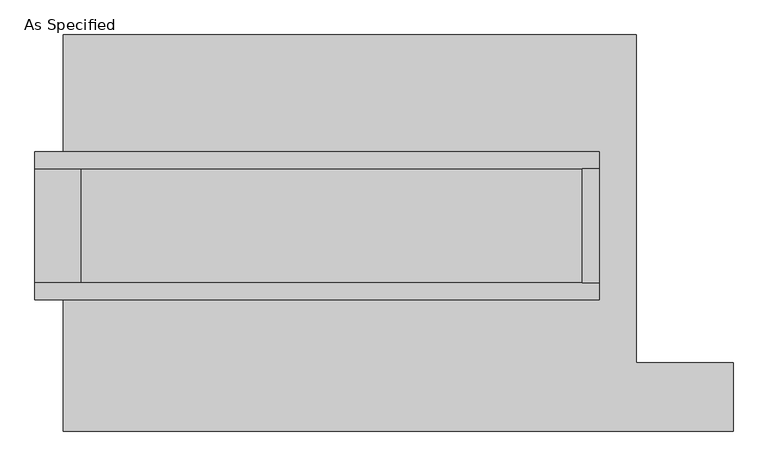
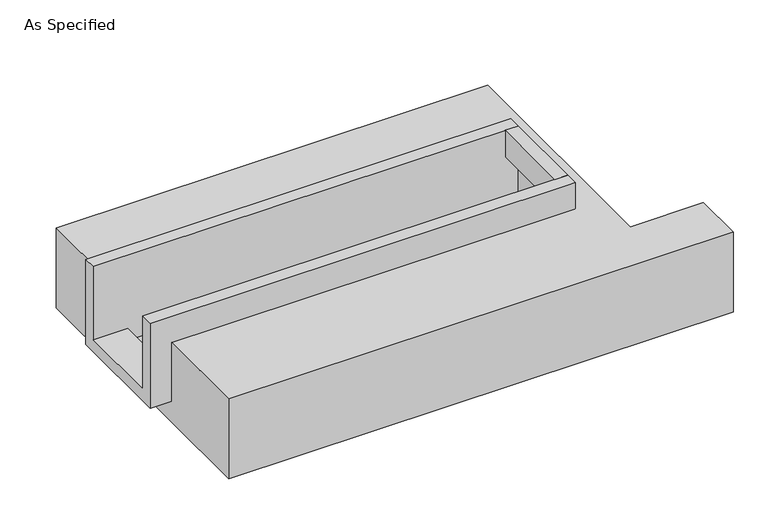
"""IFC4 building model written with IfcOpenShell, lengths in millimetres: proxy geometry, As Specified."""

from ifc_helpers import new_model, si_unit, frame, origin, place, context, project, spatial, polyline, outline, extrude, faceted_brep, source, transform, mapped, element, save


def as_specified_d499f343(model_context):
    return source(origin(), model_context, "Body", "SolidModel", [
        extrude(outline(polyline([(1035.05, 285.75), (1111.25, 285.75), (1111.25, -222.25), (1035.05, -222.25), (1035.05, 285.75)])), frame((0.0, 0.0, -25.4), z_axis=(0.0, 0.0, 1.0), x_axis=(1.0, 0.0, 0.0)), (0.0, 0.0, 1.0), 165.1),
        faceted_brep([(1111.25, 285.75, 139.7), (1111.25, 285.75, -317.5), (1111.25, -222.25, -317.5), (1111.25, -222.25, 139.7), (1111.25, -298.45, 139.7), (1111.25, -298.45, -393.7), (1111.25, 361.95, -393.7), (1111.25, 361.95, 139.7), (-1403.35, 285.75, 139.7), (-1403.35, 361.95, 139.7), (-1403.35, 361.95, -393.7), (-1403.35, -298.45, -393.7), (-1403.35, -298.45, 139.7), (-1403.35, -222.25, 139.7), (-1403.35, -222.25, -317.5), (-1403.35, 285.75, -317.5), (-1200.15, 285.75, -393.7), (-1200.15, -222.25, -393.7), (1035.05, -222.25, -393.7), (1035.05, 285.75, -393.7), (1035.05, -222.25, -317.5), (-1200.15, -222.25, -317.5), (1035.05, 285.75, -317.5), (-1200.15, 285.75, -317.5)], [[[0, 1, 2, 3, 4, 5, 6, 7]], [[8, 9, 10, 11, 12, 13, 14, 15]], [[0, 7, 9, 8]], [[7, 6, 10, 9]], [[6, 5, 11, 10], [16, 17, 18, 19]], [[4, 3, 13, 12]], [[3, 2, 20, 18, 17, 21, 14, 13]], [[2, 1, 22, 20]], [[15, 14, 21, 23]], [[1, 0, 8, 15, 23, 16, 19, 22]], [[21, 17, 16, 23]], [[18, 20, 22, 19]], [[5, 4, 12, 11]]]),
        faceted_brep([(-1276.35, 882.65, -523.9742188), (1276.35, 882.65, -523.9742188), (1276.35, -577.85, -523.9742188), (1708.15, -577.85, -523.9742188), (1708.15, -882.65, -523.9742188), (-1276.35, -882.65, -523.9742188), (1276.35, 882.65, -25.4), (-1276.35, 882.65, -25.4), (-1276.35, 361.95, -25.4), (1111.25, 361.95, -25.4), (1111.25, -298.45, -25.4), (-1276.35, -298.45, -25.4), (-1276.35, -882.65, -25.4), (1708.15, -882.65, -25.4), (1708.15, -577.85, -25.4), (1276.35, -577.85, -25.4), (-1276.35, -298.45, -393.7), (-1276.35, 361.95, -393.7), (1111.25, 361.95, -393.7), (1111.25, -298.45, -393.7)], [[[0, 1, 2, 3, 4, 5]], [[6, 7, 8, 9, 10, 11, 12, 13, 14, 15]], [[1, 0, 7, 6]], [[7, 0, 5, 12, 11, 16, 17, 8]], [[1, 6, 15, 2]], [[5, 4, 13, 12]], [[18, 19, 10, 9]], [[17, 18, 9, 8]], [[19, 18, 17, 16]], [[19, 16, 11, 10]], [[4, 3, 14, 13]], [[3, 2, 15, 14]]]),
    ])


if __name__ == "__main__":
    model = new_model("IFC4")
    model_context = context("Model", 3, world=origin())
    ifc_project = project(units=[si_unit("LENGTHUNIT", "METRE", prefix="MILLI")], contexts=[model_context])
    site = spatial("IfcSite", under=ifc_project)
    building = spatial("IfcBuilding", under=site)
    placement = place(None, origin())
    as_specified_shape = as_specified_d499f343(model_context)
    element("IfcBuildingElementProxy", 1, Name="As Specified", ObjectType="As Specified", at=placement, inside=building, context=model_context, shape_type="MappedRepresentation", body=[
        mapped(as_specified_shape, transform((0.0, 0.0, 0.0), x_axis=(1.0, 0.0, 0.0), y_axis=(0.0, 1.0, 0.0), z_axis=(0.0, 0.0, 1.0))),
    ])
    save(model, "model.ifc")
